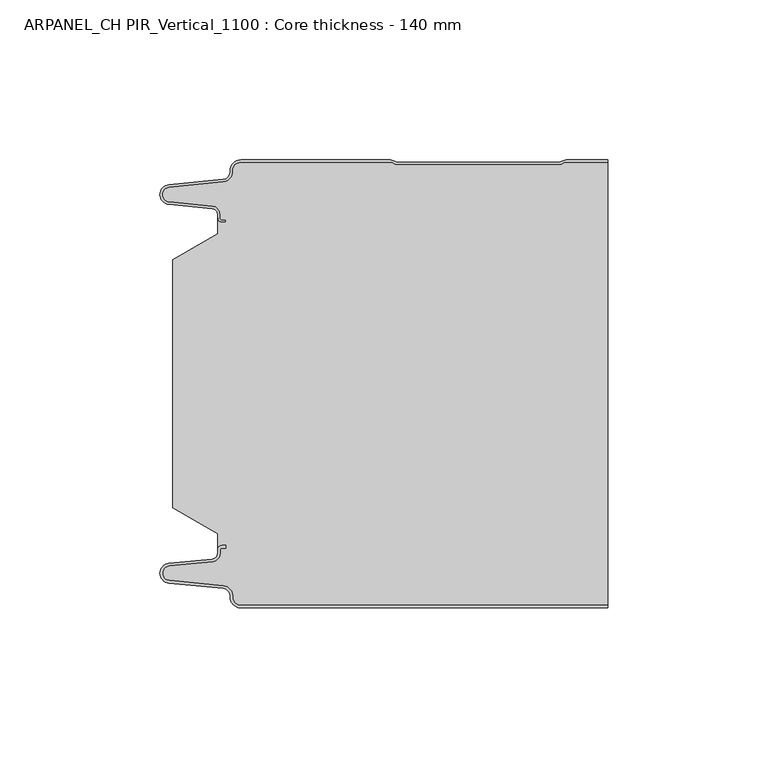
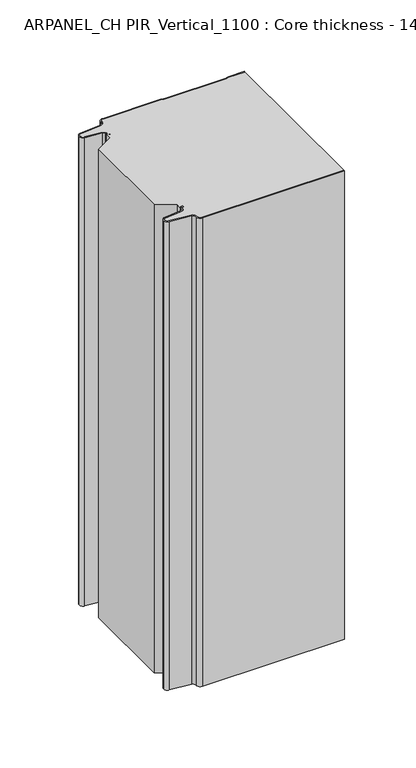
"""IFC4 building model written with IfcOpenShell, lengths in millimetres: plate geometry, ARPANEL_CH PIR_Vertical_1100 : Core thickness - 140 mm."""

from ifc_helpers import new_model, si_unit, frame, origin, place, context, project, spatial, polyline, circle_curve, source, transform, mapped, element, save
from ifc_brep_helpers import plane_surface, cylinder_surface, revolved_surface, advanced_brep


def arpanel_ch_pir_vertical_1100_core_thickness_140_mm_216f945b(model_context):
    return source(origin(), model_context, "Body", "AdvancedBrep", [
        advanced_brep(
        [(-44.8000003, -139.9996949, 0.0), (-47.9923632, -136.5787437, 0.0), (-50.2560431, -133.9171154, 0.0), (-67.2115315, -132.2546153, 0.0), (-69.9999998, -129.1776715, 0.0), (-67.2115315, -126.1007278, 0.0), (-53.6195785, -124.7680252, 0.0), (-51.9952277, -122.9766159, 0.0), (-51.9952277, -121.8996949, 0.0), (-50.5952277, -120.4996949, 0.0), (-49.4952277, -120.4996949, 0.0), (-49.4952277, -121.2996949, 0.0), (-50.5952277, -121.2996949, 0.0), (-51.1952277, -121.8996949, 0.0), (-51.1952277, -122.9766159, 0.0), (-53.5415122, -125.5642071, 0.0), (-67.1334652, -126.8969097, 0.0), (-69.1999997, -129.1776715, 0.0), (-67.1334652, -131.4584333, 0.0), (-50.1779767, -133.1209335, 0.0), (-47.2078761, -136.6330399, 0.0), (-44.8000003, -139.1996949, 0.0), (69.9999998, -139.2, 0.0), (69.9999998, -139.9996949, 0.0), (-44.8000003, -139.1996949, 400.0), (-47.1942724, -136.6339815, 400.0), (-50.1779767, -133.1209335, 400.0), (-67.1334652, -131.4584333, 400.0), (-69.1999997, -129.1776715, 400.0), (-67.1334652, -126.8969097, 400.0), (-53.5415122, -125.5642071, 400.0), (-51.1952277, -122.9766159, 400.0), (-51.1952277, -121.8996949, 400.0), (-50.5952277, -121.2996949, 400.0), (-49.4952277, -121.2996949, 400.0), (-49.4952277, -120.4996949, 400.0), (-50.5952277, -120.4996949, 400.0), (-51.9952277, -121.8996949, 400.0), (-51.9952277, -122.9766159, 400.0), (-53.6195785, -124.7680252, 400.0), (-67.2115315, -126.1007278, 400.0), (-69.9999998, -129.1776715, 400.0), (-67.2115315, -132.2546153, 400.0), (-50.2560431, -133.9171154, 400.0), (-48.0059668, -136.5778021, 400.0), (-44.8000003, -139.9996949, 400.0), (69.9999998, -139.9996949, 400.0), (69.9999998, -139.2, 400.0)],
        [
            (0, 1, circle_curve(frame((-44.8000003, -136.7996949, 0.0), z_axis=(0.0, 0.0, -1.0), x_axis=(1.0, 0.0, 0.0)), 3.2)),
            (1, 2, circle_curve(frame((-50.5000003, -136.4051839, 0.0), z_axis=(0.0, 0.0, 1.0), x_axis=(1.0, 0.0, 0.0)), 2.5)),
            (2, 3),
            (3, 4, circle_curve(frame((-66.9100003, -129.1793626, 0.0), z_axis=(0.0, 0.0, -1.0), x_axis=(1.0, 0.0, 0.0)), 3.09)),
            (4, 5, circle_curve(frame((-66.9100003, -129.1759805, 0.0), z_axis=(0.0, 0.0, -1.0), x_axis=(1.0, 0.0, 0.0)), 3.09)),
            (5, 6),
            (6, 7, circle_curve(frame((-53.7952277, -122.9766159, 0.0), z_axis=(0.0, 0.0, 1.0), x_axis=(1.0, 0.0, 0.0)), 1.8)),
            (7, 8),
            (8, 9, circle_curve(frame((-50.5952277, -121.8996949, 0.0), z_axis=(0.0, 0.0, -1.0), x_axis=(1.0, 0.0, 0.0)), 1.4)),
            (9, 10),
            (10, 11),
            (11, 12),
            (12, 13, circle_curve(frame((-50.5952277, -121.8996949, 0.0), z_axis=(0.0, 0.0, 1.0), x_axis=(1.0, 0.0, 0.0)), 0.6)),
            (13, 14),
            (14, 15, circle_curve(frame((-53.7952277, -122.9766159, 0.0), z_axis=(0.0, 0.0, -1.0), x_axis=(1.0, 0.0, 0.0)), 2.6)),
            (15, 16),
            (16, 17, circle_curve(frame((-66.9100003, -129.1759805, 0.0), z_axis=(0.0, 0.0, 1.0), x_axis=(1.0, 0.0, 0.0)), 2.29)),
            (17, 18, circle_curve(frame((-66.9100003, -129.1793626, 0.0), z_axis=(0.0, 0.0, 1.0), x_axis=(1.0, 0.0, 0.0)), 2.29)),
            (18, 19),
            (19, 20, circle_curve(frame((-50.5000003, -136.4051839, 0.0), z_axis=(0.0, 0.0, -1.0), x_axis=(1.0, 0.0, 0.0)), 3.3)),
            (20, 21, circle_curve(frame((-44.8000003, -136.7996949, 0.0), z_axis=(0.0, 0.0, 1.0), x_axis=(1.0, 0.0, 0.0)), 2.4)),
            (21, 22),
            (22, 23),
            (23, 0),
            (24, 25, circle_curve(frame((-44.8000003, -136.7996949, 400.0), z_axis=(0.0, 0.0, -1.0), x_axis=(1.0, 0.0, 0.0)), 2.4)),
            (25, 26, circle_curve(frame((-50.5000003, -136.4051839, 400.0), z_axis=(0.0, 0.0, 1.0), x_axis=(1.0, 0.0, 0.0)), 3.3)),
            (26, 27),
            (27, 28, circle_curve(frame((-66.9100003, -129.1793626, 400.0), z_axis=(0.0, 0.0, -1.0), x_axis=(1.0, 0.0, 0.0)), 2.29)),
            (28, 29, circle_curve(frame((-66.9100003, -129.1759805, 400.0), z_axis=(0.0, 0.0, -1.0), x_axis=(1.0, 0.0, 0.0)), 2.29)),
            (29, 30),
            (30, 31, circle_curve(frame((-53.7952277, -122.9766159, 400.0), z_axis=(0.0, 0.0, 1.0), x_axis=(1.0, 0.0, 0.0)), 2.6)),
            (31, 32),
            (32, 33, circle_curve(frame((-50.5952277, -121.8996949, 400.0), z_axis=(0.0, 0.0, -1.0), x_axis=(1.0, 0.0, 0.0)), 0.6)),
            (33, 34),
            (34, 35),
            (35, 36),
            (36, 37, circle_curve(frame((-50.5952277, -121.8996949, 400.0), z_axis=(0.0, 0.0, 1.0), x_axis=(1.0, 0.0, 0.0)), 1.4)),
            (37, 38),
            (38, 39, circle_curve(frame((-53.7952277, -122.9766159, 400.0), z_axis=(0.0, 0.0, -1.0), x_axis=(1.0, 0.0, 0.0)), 1.8)),
            (39, 40),
            (40, 41, circle_curve(frame((-66.9100003, -129.1759805, 400.0), z_axis=(0.0, 0.0, 1.0), x_axis=(1.0, 0.0, 0.0)), 3.09)),
            (41, 42, circle_curve(frame((-66.9100003, -129.1793626, 400.0), z_axis=(0.0, 0.0, 1.0), x_axis=(1.0, 0.0, 0.0)), 3.09)),
            (42, 43),
            (43, 44, circle_curve(frame((-50.5000003, -136.4051839, 400.0), z_axis=(0.0, 0.0, -1.0), x_axis=(1.0, 0.0, 0.0)), 2.5)),
            (44, 45, circle_curve(frame((-44.8000003, -136.7996949, 400.0), z_axis=(0.0, 0.0, 1.0), x_axis=(1.0, 0.0, 0.0)), 3.2)),
            (45, 46),
            (46, 47),
            (47, 24),
            (21, 24),
            (47, 22),
            (20, 25),
            (19, 26),
            (18, 27),
            (17, 28),
            (16, 29),
            (15, 30),
            (14, 31),
            (13, 32),
            (12, 33),
            (11, 34),
            (10, 35),
            (9, 36),
            (8, 37),
            (7, 38),
            (6, 39),
            (5, 40),
            (4, 41),
            (3, 42),
            (2, 43),
            (1, 44),
            (0, 45),
            (23, 46),
        ],
        [
            plane_surface(frame((-69.9999998, -140.0, 0.0), z_axis=(0.0, 0.0, -1.0), x_axis=(0.0, 1.0, 0.0))),
            plane_surface(frame((-69.9999998, -140.0, 400.0), z_axis=(0.0, 0.0, 1.0), x_axis=(0.0, 1.0, 0.0))),
            plane_surface(frame((-44.8000003, -139.2, 0.0), z_axis=(0.0, 1.0, 0.0), x_axis=(0.0, 0.0, 1.0))),
            revolved_surface(polyline([(-42.4000003, -136.7996949, 400.0), (-42.4000003, -136.7996949, 0.0)]), (-44.8000003, -136.7996949, 0.0), (0.0, 0.0, 1.0)),
            cylinder_surface(frame((-50.5000003, -136.4051839, 0.0), z_axis=(0.0, 0.0, -1.0), x_axis=(1.0, 0.0, 0.0)), 3.3),
            plane_surface(frame((-67.1334652, -131.4584333, 0.0), z_axis=(0.09758289975914758, 0.9952273999818314, 0.0), x_axis=(0.0, 0.0, 1.0))),
            revolved_surface(polyline([(-64.62000029999999, -129.1793626, 400.0), (-64.62000029999999, -129.1793626, 0.0)]), (-66.9100003, -129.1793626, 0.0), (0.0, 0.0, 1.0)),
            revolved_surface(polyline([(-64.62000029999999, -129.1759805, 400.0), (-64.62000029999999, -129.1759805, 0.0)]), (-66.9100003, -129.1759805, 0.0), (0.0, 0.0, 1.0)),
            plane_surface(frame((-53.5415122, -125.5642071, 0.0), z_axis=(0.09758289975914383, -0.9952273999818317, 0.0), x_axis=(0.0, 0.0, 1.0))),
            cylinder_surface(frame((-53.7952277, -122.9766159, 0.0), z_axis=(0.0, 0.0, -1.0), x_axis=(1.0, 0.0, 0.0)), 2.6),
            plane_surface(frame((-51.1952277, -121.8996949, 0.0), z_axis=(1.0, 0.0, 0.0), x_axis=(0.0, 0.0, 1.0))),
            revolved_surface(polyline([(-49.9952277, -121.8996949, 400.0), (-49.9952277, -121.8996949, 0.0)]), (-50.5952277, -121.8996949, 0.0), (0.0, 0.0, 1.0)),
            plane_surface(frame((-49.4952277, -121.2996949, 0.0), z_axis=(0.0, -1.0, 0.0), x_axis=(0.0, 0.0, 1.0))),
            plane_surface(frame((-49.4952277, -120.4996949, 0.0), z_axis=(1.0, 0.0, 0.0), x_axis=(0.0, 0.0, 1.0))),
            plane_surface(frame((-50.5952277, -120.4996949, 0.0), z_axis=(0.0, 1.0, 0.0), x_axis=(0.0, 0.0, 1.0))),
            cylinder_surface(frame((-50.5952277, -121.8996949, 0.0), z_axis=(0.0, 0.0, -1.0), x_axis=(1.0, 0.0, 0.0)), 1.4),
            plane_surface(frame((-51.9952277, -122.9766159, 0.0), z_axis=(-1.0, 0.0, 0.0), x_axis=(0.0, 0.0, 1.0))),
            revolved_surface(polyline([(-51.9952277, -122.9766159, 400.0), (-51.9952277, -122.9766159, 0.0)]), (-53.7952277, -122.9766159, 0.0), (0.0, 0.0, 1.0)),
            plane_surface(frame((-67.2115315, -126.1007278, 0.0), z_axis=(-0.09758289975914387, 0.9952273999818317, 0.0), x_axis=(0.0, 0.0, 1.0))),
            cylinder_surface(frame((-66.9100003, -129.1759805, 0.0), z_axis=(0.0, 0.0, -1.0), x_axis=(1.0, 0.0, 0.0)), 3.09),
            cylinder_surface(frame((-66.9100003, -129.1793626, 0.0), z_axis=(0.0, 0.0, -1.0), x_axis=(1.0, 0.0, 0.0)), 3.09),
            plane_surface(frame((-50.2560431, -133.9171154, 0.0), z_axis=(-0.09758289975914762, -0.9952273999818314, 0.0), x_axis=(0.0, 0.0, 1.0))),
            revolved_surface(polyline([(-48.0000003, -136.4051839, 400.0), (-48.0000003, -136.4051839, 0.0)]), (-50.5000003, -136.4051839, 0.0), (0.0, 0.0, 1.0)),
            cylinder_surface(frame((-44.8000003, -136.7996949, 0.0), z_axis=(0.0, 0.0, -1.0), x_axis=(1.0, 0.0, 0.0)), 3.2),
            plane_surface(frame((1046.009932, -139.9996949, 0.0), z_axis=(0.0, -1.0, 0.0), x_axis=(0.0, 0.0, 1.0))),
            plane_surface(frame((69.9999998, 180.0, 400.0), z_axis=(1.0, 0.0, 0.0), x_axis=(0.0, 0.0, -1.0))),
        ],
        [
            (0, [[1, 2, 3, 4, 5, 6, 7, 8, 9, 10, 11, 12, 13, 14, 15, 16, 17, 18, 19, 20, 21, 22, 23, 24]]),
            (1, [[25, 26, 27, 28, 29, 30, 31, 32, 33, 34, 35, 36, 37, 38, 39, 40, 41, 42, 43, 44, 45, 46, 47, 48]]),
            (2, [[49, -48, 50, -22]]),
            (3, [[-21, 51, -25, -49]]),
            (4, [[-20, 52, -26, -51]]),
            (5, [[-19, 53, -27, -52]]),
            (6, [[-18, 54, -28, -53]]),
            (7, [[-17, 55, -29, -54]]),
            (8, [[-16, 56, -30, -55]]),
            (9, [[-15, 57, -31, -56]]),
            (10, [[-14, 58, -32, -57]]),
            (11, [[-13, 59, -33, -58]]),
            (12, [[-12, 60, -34, -59]]),
            (13, [[-11, 61, -35, -60]]),
            (14, [[-10, 62, -36, -61]]),
            (15, [[-9, 63, -37, -62]]),
            (16, [[-8, 64, -38, -63]]),
            (17, [[-7, 65, -39, -64]]),
            (18, [[-6, 66, -40, -65]]),
            (19, [[-5, 67, -41, -66]]),
            (20, [[-4, 68, -42, -67]]),
            (21, [[-3, 69, -43, -68]]),
            (22, [[-2, 70, -44, -69]]),
            (23, [[-1, 71, -45, -70]]),
            (24, [[-71, -24, 72, -46]]),
            (25, [[-23, -50, -47, -72]]),
        ],
    ),
        advanced_brep(
        [(-51.9952277, -23.1062917, 400.0), (-66.0446509, -31.1628062, 400.0), (-66.0446509, -108.7531937, 400.0), (-51.9952277, -116.8937083, 400.0), (-51.9952277, -120.4996949, 400.0), (-51.9952277, -121.8996949, 400.0), (-50.5952277, -120.4996949, 400.0), (-49.4952277, -120.4996949, 400.0), (-49.4952277, -121.2996949, 400.0), (-50.5952277, -121.2996949, 400.0), (-51.1952277, -121.8996949, 400.0), (-51.1952277, -122.9766159, 400.0), (-53.5415122, -125.5642071, 400.0), (-67.1334652, -126.8969097, 400.0), (-69.1999997, -129.1776715, 400.0), (-67.1334652, -131.4584333, 400.0), (-50.1779767, -133.1209335, 400.0), (-47.2078761, -136.6330399, 400.0), (-44.8000003, -139.1996949, 400.0), (69.9999998, -139.2, 400.0), (69.9999998, -0.8, 400.0), (57.0487965, -0.8, 400.0), (55.9973806, -1.0986697, 400.0), (54.5769997, -1.5003051, 400.0), (4.4172165, -1.5003051, 400.0), (2.9978051, -1.0971009, 400.0), (1.9454197, -0.8, 400.0), (-44.8000003, -0.8, 400.0), (-47.1942724, -3.3660185, 400.0), (-50.1779767, -6.8790665, 400.0), (-67.1334652, -8.5415667, 400.0), (-69.1999997, -10.8223285, 400.0), (-67.1334652, -13.1030903, 400.0), (-53.5415122, -14.4357929, 400.0), (-51.1952277, -17.0233841, 400.0), (-51.1952277, -18.1003051, 400.0), (-50.5952277, -18.7003051, 400.0), (-49.4952277, -18.7003051, 400.0), (-49.4952277, -19.5003051, 400.0), (-50.5952277, -19.5003051, 400.0), (-51.9952277, -18.1003051, 400.0), (-51.9952277, -19.5003051, 400.0), (-51.9952277, -116.8937083, 0.0), (-66.0446509, -108.7531937, 0.0), (-66.0446509, -31.1628062, 0.0), (-51.9952277, -23.1062917, 0.0), (-51.9952277, -19.5003051, 0.0), (-51.9952277, -18.1003051, 0.0), (-50.5952277, -19.5003051, 0.0), (-49.4952277, -19.5003051, 0.0), (-49.4952277, -18.7003051, 0.0), (-50.5952277, -18.7003051, 0.0), (-51.1952277, -18.1003051, 0.0), (-51.1952277, -17.0233841, 0.0), (-53.5415122, -14.4357929, 0.0), (-67.1334652, -13.1030903, 0.0), (-69.1999997, -10.8223285, 0.0), (-67.1334652, -8.5415667, 0.0), (-50.1779767, -6.8790665, 0.0), (-47.2078761, -3.3669601, 0.0), (-44.8000003, -0.8003051, 0.0), (1.9454197, -0.8, 0.0), (2.9968355, -1.0986697, 0.0), (4.4172165, -1.5003051, 0.0), (54.5769997, -1.5003051, 0.0), (55.9964111, -1.0971009, 0.0), (57.0487965, -0.8, 0.0), (69.9999998, -0.8, 0.0), (69.9999998, -139.2, 0.0), (-44.8000003, -139.2, 0.0), (-47.1942724, -136.6339815, 0.0), (-50.1779767, -133.1209335, 0.0), (-67.1334652, -131.4584333, 0.0), (-69.1999997, -129.1776715, 0.0), (-67.1334652, -126.8969097, 0.0), (-53.5415122, -125.5642071, 0.0), (-51.1952277, -122.9766159, 0.0), (-51.1952277, -121.8996949, 0.0), (-50.5952277, -121.2996949, 0.0), (-49.4952277, -121.2996949, 0.0), (-49.4952277, -120.4996949, 0.0), (-50.5952277, -120.4996949, 0.0), (-51.9952277, -121.8996949, 0.0), (-51.9952277, -120.4996949, 0.0)],
        [
            (0, 1),
            (1, 2),
            (2, 3),
            (3, 4),
            (4, 5),
            (5, 6, circle_curve(frame((-50.5952277, -121.8996949, 400.0), z_axis=(0.0, 0.0, -1.0), x_axis=(1.0, 0.0, 0.0)), 1.4)),
            (6, 7),
            (7, 8),
            (8, 9),
            (9, 10, circle_curve(frame((-50.5952277, -121.8996949, 400.0), z_axis=(0.0, 0.0, 1.0), x_axis=(1.0, 0.0, 0.0)), 0.6)),
            (10, 11),
            (11, 12, circle_curve(frame((-53.7952277, -122.9766159, 400.0), z_axis=(0.0, 0.0, -1.0), x_axis=(1.0, 0.0, 0.0)), 2.6)),
            (12, 13),
            (13, 14, circle_curve(frame((-66.9100003, -129.1759805, 400.0), z_axis=(0.0, 0.0, 1.0), x_axis=(1.0, 0.0, 0.0)), 2.29)),
            (14, 15, circle_curve(frame((-66.9100003, -129.1793626, 400.0), z_axis=(0.0, 0.0, 1.0), x_axis=(1.0, 0.0, 0.0)), 2.29)),
            (15, 16),
            (16, 17, circle_curve(frame((-50.5000003, -136.4051839, 400.0), z_axis=(0.0, 0.0, -1.0), x_axis=(1.0, 0.0, 0.0)), 3.3)),
            (17, 18, circle_curve(frame((-44.8000003, -136.7996949, 400.0), z_axis=(0.0, 0.0, 1.0), x_axis=(1.0, 0.0, 0.0)), 2.4)),
            (18, 19),
            (19, 20),
            (20, 21),
            (21, 22, circle_curve(frame((57.0487965, -2.8, 400.0), z_axis=(0.0, 0.0, 1.0), x_axis=(1.0, 0.0, 0.0)), 2.0)),
            (22, 23, circle_curve(frame((54.5769997, 1.1996949, 400.0), z_axis=(0.0, 0.0, -1.0), x_axis=(1.0, 0.0, 0.0)), 2.7)),
            (23, 24),
            (24, 25, circle_curve(frame((4.4172165, 1.1996949, 400.0), z_axis=(0.0, 0.0, -1.0), x_axis=(1.0, 0.0, 0.0)), 2.7)),
            (25, 26, circle_curve(frame((1.9454197, -2.8, 400.0), z_axis=(0.0, 0.0, 1.0), x_axis=(1.0, 0.0, 0.0)), 2.0)),
            (26, 27),
            (27, 28, circle_curve(frame((-44.8000003, -3.2003051, 400.0), z_axis=(0.0, 0.0, 1.0), x_axis=(1.0, 0.0, 0.0)), 2.4)),
            (28, 29, circle_curve(frame((-50.5000003, -3.5948161, 400.0), z_axis=(0.0, 0.0, -1.0), x_axis=(1.0, 0.0, 0.0)), 3.3)),
            (29, 30),
            (30, 31, circle_curve(frame((-66.9100003, -10.8206374, 400.0), z_axis=(0.0, 0.0, 1.0), x_axis=(1.0, 0.0, 0.0)), 2.29)),
            (31, 32, circle_curve(frame((-66.9100003, -10.8240195, 400.0), z_axis=(0.0, 0.0, 1.0), x_axis=(1.0, 0.0, 0.0)), 2.29)),
            (32, 33),
            (33, 34, circle_curve(frame((-53.7952277, -17.0233841, 400.0), z_axis=(0.0, 0.0, -1.0), x_axis=(1.0, 0.0, 0.0)), 2.6)),
            (34, 35),
            (35, 36, circle_curve(frame((-50.5952277, -18.1003051, 400.0), z_axis=(0.0, 0.0, 1.0), x_axis=(1.0, 0.0, 0.0)), 0.6)),
            (36, 37),
            (37, 38),
            (38, 39),
            (39, 40, circle_curve(frame((-50.5952277, -18.1003051, 400.0), z_axis=(0.0, 0.0, -1.0), x_axis=(1.0, 0.0, 0.0)), 1.4)),
            (40, 41),
            (41, 0),
            (42, 43),
            (43, 44),
            (44, 45),
            (45, 46),
            (46, 47),
            (47, 48, circle_curve(frame((-50.5952277, -18.1003051, 0.0), z_axis=(0.0, 0.0, 1.0), x_axis=(1.0, 0.0, 0.0)), 1.4)),
            (48, 49),
            (49, 50),
            (50, 51),
            (51, 52, circle_curve(frame((-50.5952277, -18.1003051, 0.0), z_axis=(0.0, 0.0, -1.0), x_axis=(1.0, 0.0, 0.0)), 0.6)),
            (52, 53),
            (53, 54, circle_curve(frame((-53.7952277, -17.0233841, 0.0), z_axis=(0.0, 0.0, 1.0), x_axis=(1.0, 0.0, 0.0)), 2.6)),
            (54, 55),
            (55, 56, circle_curve(frame((-66.9100003, -10.8240195, 0.0), z_axis=(0.0, 0.0, -1.0), x_axis=(1.0, 0.0, 0.0)), 2.29)),
            (56, 57, circle_curve(frame((-66.9100003, -10.8206374, 0.0), z_axis=(0.0, 0.0, -1.0), x_axis=(1.0, 0.0, 0.0)), 2.29)),
            (57, 58),
            (58, 59, circle_curve(frame((-50.5000003, -3.5948161, 0.0), z_axis=(0.0, 0.0, 1.0), x_axis=(1.0, 0.0, 0.0)), 3.3)),
            (59, 60, circle_curve(frame((-44.8000003, -3.2003051, 0.0), z_axis=(0.0, 0.0, -1.0), x_axis=(1.0, 0.0, 0.0)), 2.4)),
            (60, 61),
            (61, 62, circle_curve(frame((1.9454197, -2.8, 0.0), z_axis=(0.0, 0.0, -1.0), x_axis=(1.0, 0.0, 0.0)), 2.0)),
            (62, 63, circle_curve(frame((4.4172165, 1.1996949, 0.0), z_axis=(0.0, 0.0, 1.0), x_axis=(1.0, 0.0, 0.0)), 2.7)),
            (63, 64),
            (64, 65, circle_curve(frame((54.5769997, 1.1996949, 0.0), z_axis=(0.0, 0.0, 1.0), x_axis=(1.0, 0.0, 0.0)), 2.7)),
            (65, 66, circle_curve(frame((57.0487965, -2.8, 0.0), z_axis=(0.0, 0.0, -1.0), x_axis=(1.0, 0.0, 0.0)), 2.0)),
            (66, 67),
            (67, 68),
            (68, 69),
            (69, 70, circle_curve(frame((-44.8000003, -136.7996949, 0.0), z_axis=(0.0, 0.0, -1.0), x_axis=(1.0, 0.0, 0.0)), 2.4)),
            (70, 71, circle_curve(frame((-50.5000003, -136.4051839, 0.0), z_axis=(0.0, 0.0, 1.0), x_axis=(1.0, 0.0, 0.0)), 3.3)),
            (71, 72),
            (72, 73, circle_curve(frame((-66.9100003, -129.1793626, 0.0), z_axis=(0.0, 0.0, -1.0), x_axis=(1.0, 0.0, 0.0)), 2.29)),
            (73, 74, circle_curve(frame((-66.9100003, -129.1759805, 0.0), z_axis=(0.0, 0.0, -1.0), x_axis=(1.0, 0.0, 0.0)), 2.29)),
            (74, 75),
            (75, 76, circle_curve(frame((-53.7952277, -122.9766159, 0.0), z_axis=(0.0, 0.0, 1.0), x_axis=(1.0, 0.0, 0.0)), 2.6)),
            (76, 77),
            (77, 78, circle_curve(frame((-50.5952277, -121.8996949, 0.0), z_axis=(0.0, 0.0, -1.0), x_axis=(1.0, 0.0, 0.0)), 0.6)),
            (78, 79),
            (79, 80),
            (80, 81),
            (81, 82, circle_curve(frame((-50.5952277, -121.8996949, 0.0), z_axis=(0.0, 0.0, 1.0), x_axis=(1.0, 0.0, 0.0)), 1.4)),
            (82, 83),
            (83, 42),
            (45, 0),
            (40, 47),
            (1, 44),
            (43, 2),
            (42, 3),
            (82, 5),
            (18, 69),
            (68, 19),
            (17, 70),
            (16, 71),
            (15, 72),
            (14, 73),
            (13, 74),
            (12, 75),
            (11, 76),
            (10, 77),
            (9, 78),
            (8, 79),
            (7, 80),
            (6, 81),
            (60, 27),
            (26, 61),
            (25, 62),
            (24, 63),
            (23, 64),
            (22, 65),
            (21, 66),
            (20, 67),
            (39, 48),
            (38, 49),
            (37, 50),
            (36, 51),
            (35, 52),
            (34, 53),
            (33, 54),
            (32, 55),
            (31, 56),
            (30, 57),
            (29, 58),
            (28, 59),
        ],
        [
            plane_surface(frame((-69.9999998, 0.0, 400.0), z_axis=(0.0, 0.0, 1.0), x_axis=(0.0, -1.0, 0.0))),
            plane_surface(frame((-69.9999998, 0.0, 0.0), z_axis=(0.0, 0.0, -1.0), x_axis=(0.0, -1.0, 0.0))),
            plane_surface(frame((-51.9952277, -17.0229218, 400.0), z_axis=(-1.0, 0.0, 0.0), x_axis=(0.0, 0.0, -1.0))),
            plane_surface(frame((-66.0446509, -31.1628062, 400.0), z_axis=(-1.0, 0.0, 0.0), x_axis=(0.0, 0.0, -1.0))),
            plane_surface(frame((-51.9952277, -23.1062917, 400.0), z_axis=(-0.4974543664933155, 0.8674901459133322, 0.0), x_axis=(0.0, 0.0, -1.0))),
            plane_surface(frame((-66.0446509, -108.7531937, 400.0), z_axis=(-0.5013424225369615, -0.8652489672717159, 0.0), x_axis=(0.0, 0.0, -1.0))),
            plane_surface(frame((-51.9952277, -116.8937083, 400.0), z_axis=(-1.0, 0.0, 0.0), x_axis=(0.0, 0.0, -1.0))),
            plane_surface(frame((1046.009932, -139.2, 530.0), z_axis=(0.0, -1.0, 0.0), x_axis=(0.0, 0.0, -1.0))),
            cylinder_surface(frame((-44.8000003, -136.7996949, 530.0), z_axis=(0.0, 0.0, -1.0), x_axis=(1.0, 0.0, 0.0)), 2.4),
            revolved_surface(polyline([(-47.200000300000006, -136.4051839, 400.0), (-47.200000300000006, -136.4051839, 0.0)]), (-50.5000003, -136.4051839, 530.0), (0.0, 0.0, 1.0)),
            plane_surface(frame((-50.1779767, -133.1209335, 530.0), z_axis=(-0.09758289975914758, -0.9952273999818314, 0.0), x_axis=(0.0, 0.0, -1.0))),
            cylinder_surface(frame((-66.9100003, -129.1793626, 530.0), z_axis=(0.0, 0.0, -1.0), x_axis=(1.0, 0.0, 0.0)), 2.29),
            cylinder_surface(frame((-66.9100003, -129.1759805, 530.0), z_axis=(0.0, 0.0, -1.0), x_axis=(1.0, 0.0, 0.0)), 2.29),
            plane_surface(frame((-67.1334652, -126.8969097, 530.0), z_axis=(-0.09758289975914383, 0.9952273999818317, 0.0), x_axis=(0.0, 0.0, -1.0))),
            revolved_surface(polyline([(-51.1952277, -122.9766159, 400.0), (-51.1952277, -122.9766159, 0.0)]), (-53.7952277, -122.9766159, 530.0), (0.0, 0.0, 1.0)),
            plane_surface(frame((-51.1952277, -122.9766159, 530.0), z_axis=(-1.0, 0.0, 0.0), x_axis=(0.0, 0.0, -1.0))),
            cylinder_surface(frame((-50.5952277, -121.8996949, 530.0), z_axis=(0.0, 0.0, -1.0), x_axis=(1.0, 0.0, 0.0)), 0.6),
            plane_surface(frame((-50.5952277, -121.2996949, 530.0), z_axis=(0.0, 1.0, 0.0), x_axis=(0.0, 0.0, -1.0))),
            plane_surface(frame((-49.4952277, -121.2996949, 530.0), z_axis=(-1.0, 0.0, 0.0), x_axis=(0.0, 0.0, -1.0))),
            plane_surface(frame((-49.4952277, -120.4996949, 530.0), z_axis=(0.0, -1.0, 0.0), x_axis=(0.0, 0.0, -1.0))),
            revolved_surface(polyline([(-49.195227700000004, -121.8996949, 400.0), (-49.195227700000004, -121.8996949, 0.0)]), (-50.5952277, -121.8996949, 530.0), (0.0, 0.0, 1.0)),
            plane_surface(frame((-44.8000003, -0.8, 530.0), z_axis=(0.0, 1.0, 0.0), x_axis=(0.0, 0.0, -1.0))),
            cylinder_surface(frame((1.9454197, -2.8, 530.0), z_axis=(0.0, 0.0, -1.0), x_axis=(1.0, 0.0, 0.0)), 2.0),
            revolved_surface(polyline([(7.1172165000000005, 1.1996949, 400.0), (7.1172165000000005, 1.1996949, 0.0)]), (4.4172165, 1.1996949, 530.0), (0.0, 0.0, 1.0)),
            plane_surface(frame((4.4172165, -1.5003051, 530.0), z_axis=(0.0, 1.0, 0.0), x_axis=(0.0, 0.0, -1.0))),
            revolved_surface(polyline([(57.276999700000005, 1.1996949, 400.0), (57.276999700000005, 1.1996949, 0.0)]), (54.5769997, 1.1996949, 530.0), (0.0, 0.0, 1.0)),
            cylinder_surface(frame((57.0487965, -2.8, 530.0), z_axis=(0.0, 0.0, -1.0), x_axis=(1.0, 0.0, 0.0)), 2.0),
            plane_surface(frame((57.0487965, -0.8, 530.0), z_axis=(0.0, 1.0, 0.0), x_axis=(0.0, 0.0, -1.0))),
            revolved_surface(polyline([(-49.195227700000004, -18.1003051, 400.0), (-49.195227700000004, -18.1003051, 0.0)]), (-50.5952277, -18.1003051, 530.0), (0.0, 0.0, 1.0)),
            plane_surface(frame((-50.5952277, -19.5003051, 530.0), z_axis=(0.0, 1.0, 0.0), x_axis=(0.0, 0.0, -1.0))),
            plane_surface(frame((-49.4952277, -19.5003051, 530.0), z_axis=(-1.0, 0.0, 0.0), x_axis=(0.0, 0.0, -1.0))),
            plane_surface(frame((-49.4952277, -18.7003051, 530.0), z_axis=(0.0, -1.0, 0.0), x_axis=(0.0, 0.0, -1.0))),
            cylinder_surface(frame((-50.5952277, -18.1003051, 530.0), z_axis=(0.0, 0.0, -1.0), x_axis=(1.0, 0.0, 0.0)), 0.6),
            plane_surface(frame((-51.1952277, -18.1003051, 530.0), z_axis=(-1.0, 0.0, 0.0), x_axis=(0.0, 0.0, -1.0))),
            revolved_surface(polyline([(-51.1952277, -17.0233841, 400.0), (-51.1952277, -17.0233841, 0.0)]), (-53.7952277, -17.0233841, 530.0), (0.0, 0.0, 1.0)),
            plane_surface(frame((-53.5415122, -14.4357929, 530.0), z_axis=(-0.09758289975914705, -0.9952273999818314, 0.0), x_axis=(0.0, 0.0, -1.0))),
            cylinder_surface(frame((-66.9100003, -10.8240195, 530.0), z_axis=(0.0, 0.0, -1.0), x_axis=(1.0, 0.0, 0.0)), 2.29),
            cylinder_surface(frame((-66.9100003, -10.8206374, 530.0), z_axis=(0.0, 0.0, -1.0), x_axis=(1.0, 0.0, 0.0)), 2.29),
            plane_surface(frame((-67.1334652, -8.5415667, 530.0), z_axis=(-0.09758289975914436, 0.9952273999818317, 0.0), x_axis=(0.0, 0.0, -1.0))),
            revolved_surface(polyline([(-47.200000300000006, -3.5948161, 400.0), (-47.200000300000006, -3.5948161, 0.0)]), (-50.5000003, -3.5948161, 530.0), (0.0, 0.0, 1.0)),
            cylinder_surface(frame((-44.8000003, -3.2003051, 530.0), z_axis=(0.0, 0.0, -1.0), x_axis=(1.0, 0.0, 0.0)), 2.4),
            plane_surface(frame((69.9999998, 180.0, 400.0), z_axis=(1.0, 0.0, 0.0), x_axis=(0.0, 0.0, -1.0))),
        ],
        [
            (0, [[1, 2, 3, 4, 5, 6, 7, 8, 9, 10, 11, 12, 13, 14, 15, 16, 17, 18, 19, 20, 21, 22, 23, 24, 25, 26, 27, 28, 29, 30, 31, 32, 33, 34, 35, 36, 37, 38, 39, 40, 41, 42]]),
            (1, [[43, 44, 45, 46, 47, 48, 49, 50, 51, 52, 53, 54, 55, 56, 57, 58, 59, 60, 61, 62, 63, 64, 65, 66, 67, 68, 69, 70, 71, 72, 73, 74, 75, 76, 77, 78, 79, 80, 81, 82, 83, 84]]),
            (2, [[85, -42, -41, 86, -47, -46]]),
            (3, [[-2, 87, -44, 88]]),
            (4, [[-1, -85, -45, -87]]),
            (5, [[-3, -88, -43, 89]]),
            (6, [[-89, -84, -83, 90, -5, -4]]),
            (7, [[91, -69, 92, -19]]),
            (8, [[-91, -18, 93, -70]]),
            (9, [[-93, -17, 94, -71]]),
            (10, [[-94, -16, 95, -72]]),
            (11, [[-95, -15, 96, -73]]),
            (12, [[-96, -14, 97, -74]]),
            (13, [[-97, -13, 98, -75]]),
            (14, [[-98, -12, 99, -76]]),
            (15, [[-99, -11, 100, -77]]),
            (16, [[-100, -10, 101, -78]]),
            (17, [[-101, -9, 102, -79]]),
            (18, [[-102, -8, 103, -80]]),
            (19, [[-103, -7, 104, -81]]),
            (20, [[-104, -6, -90, -82]]),
            (21, [[105, -27, 106, -61]]),
            (22, [[-106, -26, 107, -62]]),
            (23, [[-107, -25, 108, -63]]),
            (24, [[-108, -24, 109, -64]]),
            (25, [[-109, -23, 110, -65]]),
            (26, [[-110, -22, 111, -66]]),
            (27, [[-111, -21, 112, -67]]),
            (28, [[113, -48, -86, -40]]),
            (29, [[-113, -39, 114, -49]]),
            (30, [[-114, -38, 115, -50]]),
            (31, [[-115, -37, 116, -51]]),
            (32, [[-116, -36, 117, -52]]),
            (33, [[-117, -35, 118, -53]]),
            (34, [[-118, -34, 119, -54]]),
            (35, [[-119, -33, 120, -55]]),
            (36, [[-120, -32, 121, -56]]),
            (37, [[-121, -31, 122, -57]]),
            (38, [[-122, -30, 123, -58]]),
            (39, [[-123, -29, 124, -59]]),
            (40, [[-105, -60, -124, -28]]),
            (41, [[-92, -68, -112, -20]]),
        ],
    ),
        advanced_brep(
        [(2.9968355, -1.0986697, 0.0), (1.9454197, -0.8, 0.0), (-44.8000003, -0.8, 0.0), (-47.1942724, -3.3660185, 0.0), (-50.1779767, -6.8790665, 0.0), (-67.1334652, -8.5415667, 0.0), (-69.1999997, -10.8223285, 0.0), (-67.1334652, -13.1030903, 0.0), (-53.5415122, -14.4357929, 0.0), (-51.1952277, -17.0233841, 0.0), (-51.1952277, -18.1003051, 0.0), (-50.5952277, -18.7003051, 0.0), (-49.4952277, -18.7003051, 0.0), (-49.4952277, -19.5003051, 0.0), (-50.5952277, -19.5003051, 0.0), (-51.9952277, -18.1003051, 0.0), (-51.9952277, -17.0233841, 0.0), (-53.6195785, -15.2319748, 0.0), (-67.2115315, -13.8992722, 0.0), (-69.9999998, -10.8223285, 0.0), (-67.2115315, -7.7453847, 0.0), (-50.2560431, -6.0828846, 0.0), (-48.0059668, -3.4221979, 0.0), (-44.8000003, -0.0003051, 0.0), (1.9454197, -0.0003051, 0.0), (3.3647528, -0.4034608, 0.0), (4.4172165, -0.7003051, 0.0), (54.5769997, -0.7003051, 0.0), (55.6283575, -0.4016712, 0.0), (57.0487965, -0.0003051, 0.0), (69.9999998, -0.0003051, 0.0), (69.9999998, -0.8, 0.0), (57.0487965, -0.8, 0.0), (55.9973806, -1.0986697, 0.0), (54.5769997, -1.5003051, 0.0), (4.4172165, -1.5003051, 0.0), (2.9978051, -1.0971009, 400.0), (4.4172165, -1.5003051, 400.0), (54.5769997, -1.5003051, 400.0), (55.9964111, -1.0971009, 400.0), (57.0487965, -0.8, 400.0), (69.9999998, -0.8, 400.0), (69.9999998, -0.0003051, 400.0), (57.0487965, -0.0003051, 400.0), (55.6294634, -0.4034608, 400.0), (54.5769997, -0.7003051, 400.0), (4.4172165, -0.7003051, 400.0), (3.3658586, -0.4016712, 400.0), (1.9454197, -0.0003051, 400.0), (-44.8000003, -0.0003051, 400.0), (-47.9923632, -3.4212563, 400.0), (-50.2560431, -6.0828846, 400.0), (-67.2115315, -7.7453847, 400.0), (-69.9999998, -10.8223285, 400.0), (-67.2115315, -13.8992722, 400.0), (-53.6195785, -15.2319748, 400.0), (-51.9952277, -17.0233841, 400.0), (-51.9952277, -18.1003051, 400.0), (-50.5952277, -19.5003051, 400.0), (-49.4952277, -19.5003051, 400.0), (-49.4952277, -18.7003051, 400.0), (-50.5952277, -18.7003051, 400.0), (-51.1952277, -18.1003051, 400.0), (-51.1952277, -17.0233841, 400.0), (-53.5415122, -14.4357929, 400.0), (-67.1334652, -13.1030903, 400.0), (-69.1999997, -10.8223285, 400.0), (-67.1334652, -8.5415667, 400.0), (-50.1779767, -6.8790665, 400.0), (-47.2078761, -3.3669601, 400.0), (-44.8000003, -0.8003051, 400.0), (1.9454197, -0.8, 400.0)],
        [
            (0, 1, circle_curve(frame((1.9454197, -2.8, 0.0), z_axis=(0.0, 0.0, 1.0), x_axis=(1.0, 0.0, 0.0)), 2.0)),
            (1, 2),
            (2, 3, circle_curve(frame((-44.8000003, -3.2003051, 0.0), z_axis=(0.0, 0.0, 1.0), x_axis=(1.0, 0.0, 0.0)), 2.4)),
            (3, 4, circle_curve(frame((-50.5000003, -3.5948161, 0.0), z_axis=(0.0, 0.0, -1.0), x_axis=(1.0, 0.0, 0.0)), 3.3)),
            (4, 5),
            (5, 6, circle_curve(frame((-66.9100003, -10.8206374, 0.0), z_axis=(0.0, 0.0, 1.0), x_axis=(1.0, 0.0, 0.0)), 2.29)),
            (6, 7, circle_curve(frame((-66.9100003, -10.8240195, 0.0), z_axis=(0.0, 0.0, 1.0), x_axis=(1.0, 0.0, 0.0)), 2.29)),
            (7, 8),
            (8, 9, circle_curve(frame((-53.7952277, -17.0233841, 0.0), z_axis=(0.0, 0.0, -1.0), x_axis=(1.0, 0.0, 0.0)), 2.6)),
            (9, 10),
            (10, 11, circle_curve(frame((-50.5952277, -18.1003051, 0.0), z_axis=(0.0, 0.0, 1.0), x_axis=(1.0, 0.0, 0.0)), 0.6)),
            (11, 12),
            (12, 13),
            (13, 14),
            (14, 15, circle_curve(frame((-50.5952277, -18.1003051, 0.0), z_axis=(0.0, 0.0, -1.0), x_axis=(1.0, 0.0, 0.0)), 1.4)),
            (15, 16),
            (16, 17, circle_curve(frame((-53.7952277, -17.0233841, 0.0), z_axis=(0.0, 0.0, 1.0), x_axis=(1.0, 0.0, 0.0)), 1.8)),
            (17, 18),
            (18, 19, circle_curve(frame((-66.9100003, -10.8240195, 0.0), z_axis=(0.0, 0.0, -1.0), x_axis=(1.0, 0.0, 0.0)), 3.09)),
            (19, 20, circle_curve(frame((-66.9100003, -10.8206374, 0.0), z_axis=(0.0, 0.0, -1.0), x_axis=(1.0, 0.0, 0.0)), 3.09)),
            (20, 21),
            (21, 22, circle_curve(frame((-50.5000003, -3.5948161, 0.0), z_axis=(0.0, 0.0, 1.0), x_axis=(1.0, 0.0, 0.0)), 2.5)),
            (22, 23, circle_curve(frame((-44.8000003, -3.2003051, 0.0), z_axis=(0.0, 0.0, -1.0), x_axis=(1.0, 0.0, 0.0)), 3.2)),
            (23, 24),
            (24, 25, circle_curve(frame((1.9454197, -2.7003051, 0.0), z_axis=(0.0, 0.0, -1.0), x_axis=(1.0, 0.0, 0.0)), 2.7)),
            (25, 26, circle_curve(frame((4.4172165, 1.2996949, 0.0), z_axis=(0.0, 0.0, 1.0), x_axis=(1.0, 0.0, 0.0)), 2.0)),
            (26, 27),
            (27, 28, circle_curve(frame((54.5769997, 1.2996949, 0.0), z_axis=(0.0, 0.0, 1.0), x_axis=(1.0, 0.0, 0.0)), 2.0)),
            (28, 29, circle_curve(frame((57.0487965, -2.7003051, 0.0), z_axis=(0.0, 0.0, -1.0), x_axis=(1.0, 0.0, 0.0)), 2.7)),
            (29, 30),
            (30, 31),
            (31, 32),
            (32, 33, circle_curve(frame((57.0487965, -2.8, 0.0), z_axis=(0.0, 0.0, 1.0), x_axis=(1.0, 0.0, 0.0)), 2.0)),
            (33, 34, circle_curve(frame((54.5769997, 1.1996949, 0.0), z_axis=(0.0, 0.0, -1.0), x_axis=(1.0, 0.0, 0.0)), 2.7)),
            (34, 35),
            (35, 0, circle_curve(frame((4.4172165, 1.1996949, 0.0), z_axis=(0.0, 0.0, -1.0), x_axis=(1.0, 0.0, 0.0)), 2.7)),
            (36, 37, circle_curve(frame((4.4172165, 1.1996949, 400.0), z_axis=(0.0, 0.0, 1.0), x_axis=(1.0, 0.0, 0.0)), 2.7)),
            (37, 38),
            (38, 39, circle_curve(frame((54.5769997, 1.1996949, 400.0), z_axis=(0.0, 0.0, 1.0), x_axis=(1.0, 0.0, 0.0)), 2.7)),
            (39, 40, circle_curve(frame((57.0487965, -2.8, 400.0), z_axis=(0.0, 0.0, -1.0), x_axis=(1.0, 0.0, 0.0)), 2.0)),
            (40, 41),
            (41, 42),
            (42, 43),
            (43, 44, circle_curve(frame((57.0487965, -2.7003051, 400.0), z_axis=(0.0, 0.0, 1.0), x_axis=(1.0, 0.0, 0.0)), 2.7)),
            (44, 45, circle_curve(frame((54.5769997, 1.2996949, 400.0), z_axis=(0.0, 0.0, -1.0), x_axis=(1.0, 0.0, 0.0)), 2.0)),
            (45, 46),
            (46, 47, circle_curve(frame((4.4172165, 1.2996949, 400.0), z_axis=(0.0, 0.0, -1.0), x_axis=(1.0, 0.0, 0.0)), 2.0)),
            (47, 48, circle_curve(frame((1.9454197, -2.7003051, 400.0), z_axis=(0.0, 0.0, 1.0), x_axis=(1.0, 0.0, 0.0)), 2.7)),
            (48, 49),
            (49, 50, circle_curve(frame((-44.8000003, -3.2003051, 400.0), z_axis=(0.0, 0.0, 1.0), x_axis=(1.0, 0.0, 0.0)), 3.2)),
            (50, 51, circle_curve(frame((-50.5000003, -3.5948161, 400.0), z_axis=(0.0, 0.0, -1.0), x_axis=(1.0, 0.0, 0.0)), 2.5)),
            (51, 52),
            (52, 53, circle_curve(frame((-66.9100003, -10.8206374, 400.0), z_axis=(0.0, 0.0, 1.0), x_axis=(1.0, 0.0, 0.0)), 3.09)),
            (53, 54, circle_curve(frame((-66.9100003, -10.8240195, 400.0), z_axis=(0.0, 0.0, 1.0), x_axis=(1.0, 0.0, 0.0)), 3.09)),
            (54, 55),
            (55, 56, circle_curve(frame((-53.7952277, -17.0233841, 400.0), z_axis=(0.0, 0.0, -1.0), x_axis=(1.0, 0.0, 0.0)), 1.8)),
            (56, 57),
            (57, 58, circle_curve(frame((-50.5952277, -18.1003051, 400.0), z_axis=(0.0, 0.0, 1.0), x_axis=(1.0, 0.0, 0.0)), 1.4)),
            (58, 59),
            (59, 60),
            (60, 61),
            (61, 62, circle_curve(frame((-50.5952277, -18.1003051, 400.0), z_axis=(0.0, 0.0, -1.0), x_axis=(1.0, 0.0, 0.0)), 0.6)),
            (62, 63),
            (63, 64, circle_curve(frame((-53.7952277, -17.0233841, 400.0), z_axis=(0.0, 0.0, 1.0), x_axis=(1.0, 0.0, 0.0)), 2.6)),
            (64, 65),
            (65, 66, circle_curve(frame((-66.9100003, -10.8240195, 400.0), z_axis=(0.0, 0.0, -1.0), x_axis=(1.0, 0.0, 0.0)), 2.29)),
            (66, 67, circle_curve(frame((-66.9100003, -10.8206374, 400.0), z_axis=(0.0, 0.0, -1.0), x_axis=(1.0, 0.0, 0.0)), 2.29)),
            (67, 68),
            (68, 69, circle_curve(frame((-50.5000003, -3.5948161, 400.0), z_axis=(0.0, 0.0, 1.0), x_axis=(1.0, 0.0, 0.0)), 3.3)),
            (69, 70, circle_curve(frame((-44.8000003, -3.2003051, 400.0), z_axis=(0.0, 0.0, -1.0), x_axis=(1.0, 0.0, 0.0)), 2.4)),
            (70, 71),
            (71, 36, circle_curve(frame((1.9454197, -2.8, 400.0), z_axis=(0.0, 0.0, -1.0), x_axis=(1.0, 0.0, 0.0)), 2.0)),
            (0, 36),
            (71, 1),
            (70, 2),
            (69, 3),
            (68, 4),
            (67, 5),
            (66, 6),
            (65, 7),
            (64, 8),
            (63, 9),
            (62, 10),
            (61, 11),
            (60, 12),
            (59, 13),
            (58, 14),
            (57, 15),
            (56, 16),
            (55, 17),
            (54, 18),
            (53, 19),
            (52, 20),
            (51, 21),
            (50, 22),
            (49, 23),
            (48, 24),
            (47, 25),
            (46, 26),
            (45, 27),
            (44, 28),
            (43, 29),
            (42, 30),
            (40, 32),
            (31, 41),
            (39, 33),
            (38, 34),
            (37, 35),
        ],
        [
            plane_surface(frame((-69.9999998, 0.0, 0.0), z_axis=(0.0, 0.0, -1.0), x_axis=(0.0, -1.0, 0.0))),
            plane_surface(frame((-69.9999998, 0.0, 400.0), z_axis=(0.0, 0.0, 1.0), x_axis=(0.0, -1.0, 0.0))),
            revolved_surface(polyline([(3.9454197, -2.8, 400.0), (3.9454197, -2.8, 0.0)]), (1.9454197, -2.8, 0.0), (0.0, 0.0, 1.0)),
            plane_surface(frame((1.9454197, -0.8, 0.0), z_axis=(0.0, -1.0, 0.0), x_axis=(0.0, 0.0, 1.0))),
            revolved_surface(polyline([(-42.4000003, -3.2003051, 400.0), (-42.4000003, -3.2003051, 0.0)]), (-44.8000003, -3.2003051, 0.0), (0.0, 0.0, 1.0)),
            cylinder_surface(frame((-50.5000003, -3.5948161, 0.0), z_axis=(0.0, 0.0, -1.0), x_axis=(1.0, 0.0, 0.0)), 3.3),
            plane_surface(frame((-50.1779767, -6.8790665, 0.0), z_axis=(0.09758289975914113, -0.9952273999818321, 0.0), x_axis=(0.0, 0.0, 1.0))),
            revolved_surface(polyline([(-64.62000029999999, -10.8206374, 400.0), (-64.62000029999999, -10.8206374, 0.0)]), (-66.9100003, -10.8206374, 0.0), (0.0, 0.0, 1.0)),
            revolved_surface(polyline([(-64.62000029999999, -10.8240195, 400.0), (-64.62000029999999, -10.8240195, 0.0)]), (-66.9100003, -10.8240195, 0.0), (0.0, 0.0, 1.0)),
            plane_surface(frame((-67.1334652, -13.1030903, 0.0), z_axis=(0.0975828997591503, 0.9952273999818312, 0.0), x_axis=(0.0, 0.0, 1.0))),
            cylinder_surface(frame((-53.7952277, -17.0233841, 0.0), z_axis=(0.0, 0.0, -1.0), x_axis=(1.0, 0.0, 0.0)), 2.6),
            plane_surface(frame((-51.1952277, -17.0233841, 0.0), z_axis=(1.0, 0.0, 0.0), x_axis=(0.0, 0.0, 1.0))),
            revolved_surface(polyline([(-49.9952277, -18.1003051, 400.0), (-49.9952277, -18.1003051, 0.0)]), (-50.5952277, -18.1003051, 0.0), (0.0, 0.0, 1.0)),
            plane_surface(frame((-50.5952277, -18.7003051, 0.0), z_axis=(0.0, 1.0, 0.0), x_axis=(0.0, 0.0, 1.0))),
            plane_surface(frame((-49.4952277, -18.7003051, 0.0), z_axis=(1.0, 0.0, 0.0), x_axis=(0.0, 0.0, 1.0))),
            plane_surface(frame((-49.4952277, -19.5003051, 0.0), z_axis=(0.0, -1.0, 0.0), x_axis=(0.0, 0.0, 1.0))),
            cylinder_surface(frame((-50.5952277, -18.1003051, 0.0), z_axis=(0.0, 0.0, -1.0), x_axis=(1.0, 0.0, 0.0)), 1.4),
            plane_surface(frame((-51.9952277, -18.1003051, 0.0), z_axis=(-1.0, 0.0, 0.0), x_axis=(0.0, 0.0, 1.0))),
            revolved_surface(polyline([(-51.9952277, -17.0233841, 400.0), (-51.9952277, -17.0233841, 0.0)]), (-53.7952277, -17.0233841, 0.0), (0.0, 0.0, 1.0)),
            plane_surface(frame((-53.6195785, -15.2319748, 0.0), z_axis=(-0.09758289975915034, -0.9952273999818312, 0.0), x_axis=(0.0, 0.0, 1.0))),
            cylinder_surface(frame((-66.9100003, -10.8240195, 0.0), z_axis=(0.0, 0.0, -1.0), x_axis=(1.0, 0.0, 0.0)), 3.09),
            cylinder_surface(frame((-66.9100003, -10.8206374, 0.0), z_axis=(0.0, 0.0, -1.0), x_axis=(1.0, 0.0, 0.0)), 3.09),
            plane_surface(frame((-67.2115315, -7.7453847, 0.0), z_axis=(-0.09758289975914117, 0.9952273999818321, 0.0), x_axis=(0.0, 0.0, 1.0))),
            revolved_surface(polyline([(-48.0000003, -3.5948161, 400.0), (-48.0000003, -3.5948161, 0.0)]), (-50.5000003, -3.5948161, 0.0), (0.0, 0.0, 1.0)),
            cylinder_surface(frame((-44.8000003, -3.2003051, 0.0), z_axis=(0.0, 0.0, -1.0), x_axis=(1.0, 0.0, 0.0)), 3.2),
            plane_surface(frame((-44.8000003, -0.0003051, 0.0), z_axis=(0.0, 1.0, 0.0), x_axis=(0.0, 0.0, 1.0))),
            cylinder_surface(frame((1.9454197, -2.7003051, 0.0), z_axis=(0.0, 0.0, -1.0), x_axis=(1.0, 0.0, 0.0)), 2.7),
            revolved_surface(polyline([(6.4172165, 1.2996949, 400.0), (6.4172165, 1.2996949, 0.0)]), (4.4172165, 1.2996949, 0.0), (0.0, 0.0, 1.0)),
            plane_surface(frame((4.4172165, -0.7003051, 0.0), z_axis=(0.0, 1.0, 0.0), x_axis=(0.0, 0.0, 1.0))),
            revolved_surface(polyline([(56.5769997, 1.2996949, 400.0), (56.5769997, 1.2996949, 0.0)]), (54.5769997, 1.2996949, 0.0), (0.0, 0.0, 1.0)),
            cylinder_surface(frame((57.0487965, -2.7003051, 0.0), z_axis=(0.0, 0.0, -1.0), x_axis=(1.0, 0.0, 0.0)), 2.7),
            plane_surface(frame((57.0487965, -0.0003051, 0.0), z_axis=(0.0, 1.0, 0.0), x_axis=(0.0, 0.0, 1.0))),
            plane_surface(frame((107.2085797, -0.8, 0.0), z_axis=(0.0, -1.0, 0.0), x_axis=(0.0, 0.0, 1.0))),
            revolved_surface(polyline([(59.0487965, -2.8, 400.0), (59.0487965, -2.8, 0.0)]), (57.0487965, -2.8, 0.0), (0.0, 0.0, 1.0)),
            cylinder_surface(frame((54.5769997, 1.1996949, 0.0), z_axis=(0.0, 0.0, -1.0), x_axis=(1.0, 0.0, 0.0)), 2.7),
            plane_surface(frame((54.5769997, -1.5003051, 0.0), z_axis=(0.0, -1.0, 0.0), x_axis=(0.0, 0.0, 1.0))),
            cylinder_surface(frame((4.4172165, 1.1996949, 0.0), z_axis=(0.0, 0.0, -1.0), x_axis=(1.0, 0.0, 0.0)), 2.7),
            plane_surface(frame((69.9999998, 180.0, 400.0), z_axis=(1.0, 0.0, 0.0), x_axis=(0.0, 0.0, -1.0))),
        ],
        [
            (0, [[1, 2, 3, 4, 5, 6, 7, 8, 9, 10, 11, 12, 13, 14, 15, 16, 17, 18, 19, 20, 21, 22, 23, 24, 25, 26, 27, 28, 29, 30, 31, 32, 33, 34, 35, 36]]),
            (1, [[37, 38, 39, 40, 41, 42, 43, 44, 45, 46, 47, 48, 49, 50, 51, 52, 53, 54, 55, 56, 57, 58, 59, 60, 61, 62, 63, 64, 65, 66, 67, 68, 69, 70, 71, 72]]),
            (2, [[-1, 73, -72, 74]]),
            (3, [[-2, -74, -71, 75]]),
            (4, [[-3, -75, -70, 76]]),
            (5, [[-4, -76, -69, 77]]),
            (6, [[-5, -77, -68, 78]]),
            (7, [[-6, -78, -67, 79]]),
            (8, [[-7, -79, -66, 80]]),
            (9, [[-8, -80, -65, 81]]),
            (10, [[-9, -81, -64, 82]]),
            (11, [[-10, -82, -63, 83]]),
            (12, [[-11, -83, -62, 84]]),
            (13, [[-12, -84, -61, 85]]),
            (14, [[-13, -85, -60, 86]]),
            (15, [[-14, -86, -59, 87]]),
            (16, [[-15, -87, -58, 88]]),
            (17, [[-16, -88, -57, 89]]),
            (18, [[-17, -89, -56, 90]]),
            (19, [[-18, -90, -55, 91]]),
            (20, [[-19, -91, -54, 92]]),
            (21, [[-20, -92, -53, 93]]),
            (22, [[-21, -93, -52, 94]]),
            (23, [[-22, -94, -51, 95]]),
            (24, [[-23, -95, -50, 96]]),
            (25, [[-24, -96, -49, 97]]),
            (26, [[-25, -97, -48, 98]]),
            (27, [[-26, -98, -47, 99]]),
            (28, [[-27, -99, -46, 100]]),
            (29, [[-28, -100, -45, 101]]),
            (30, [[-29, -101, -44, 102]]),
            (31, [[-102, -43, 103, -30]]),
            (32, [[104, -32, 105, -41]]),
            (33, [[-33, -104, -40, 106]]),
            (34, [[-34, -106, -39, 107]]),
            (35, [[-35, -107, -38, 108]]),
            (36, [[-36, -108, -37, -73]]),
            (37, [[-31, -103, -42, -105]]),
        ],
    ),
    ])


if __name__ == "__main__":
    model = new_model("IFC4")
    model_context = context("Model", 3, world=origin())
    ifc_project = project(units=[si_unit("LENGTHUNIT", "METRE", prefix="MILLI")], contexts=[model_context])
    site = spatial("IfcSite", under=ifc_project)
    building = spatial("IfcBuilding", under=site)
    placement = place(None, origin())
    arpanel_ch_pir_vertical_1100_core_thickness_140_mm_shape = arpanel_ch_pir_vertical_1100_core_thickness_140_mm_216f945b(model_context)
    element("IfcPlate", 1, ObjectType="ARPANEL_CH PIR_Vertical_1100 : Core thickness - 140 mm", at=placement, inside=building, context=model_context, shape_type="MappedRepresentation", body=[
        mapped(arpanel_ch_pir_vertical_1100_core_thickness_140_mm_shape, transform((0.0, 0.0, 0.0), x_axis=(1.0, 0.0, 0.0), y_axis=(0.0, 1.0, 0.0), z_axis=(0.0, 0.0, 1.0))),
    ])
    save(model, "model.ifc")
